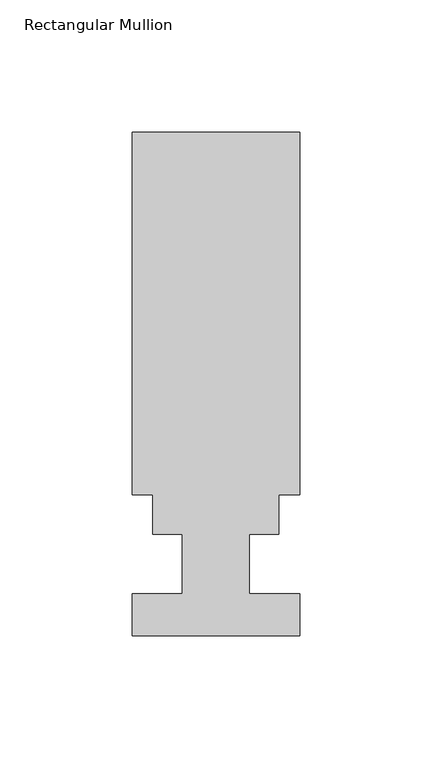
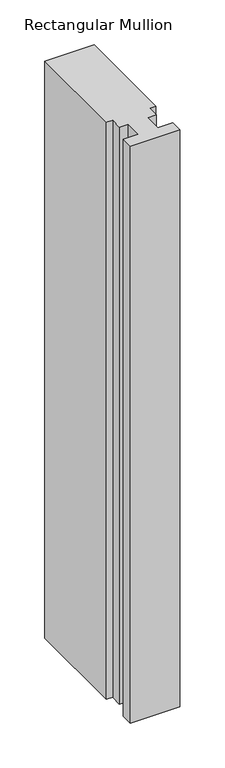
"""IFC4 building model written with IfcOpenShell, lengths in millimetres: member geometry, Rectangular Mullion."""

from ifc_helpers import new_model, si_unit, frame, origin, place, context, project, spatial, polyline, outline, extrude, source, transform, mapped, element, save


def rectangular_mullion_5b0f9c4a(model_context):
    return source(origin(), model_context, "Body", "SweptSolid", [
        extrude(outline(polyline([(-31.75, 15.1614187), (-31.75, 152.4992188), (31.75, 152.4992188), (31.75, 15.1614188), (23.8252, 15.1614188), (23.8252, 0.0992188), (12.7, 0.0992188), (12.7, -22.3797812), (31.75, -22.3797812), (31.75, -38.2547812), (-31.75, -38.2547812), (-31.75, -22.3543812), (-12.7, -22.3543812), (-12.7, 0.0992188), (-23.8252, 0.0992187), (-23.8252, 15.1614187), (-31.75, 15.1614187)])), frame((0.0, 0.0, -785.1272189), z_axis=(0.0, 0.0, 1.0), x_axis=(1.0, 0.0, 0.0)), (0.0, 0.0, 1.0), 785.1272189),
    ])


if __name__ == "__main__":
    model = new_model("IFC4")
    model_context = context("Model", 3, world=origin())
    ifc_project = project(units=[si_unit("LENGTHUNIT", "METRE", prefix="MILLI")], contexts=[model_context])
    site = spatial("IfcSite", under=ifc_project)
    building = spatial("IfcBuilding", under=site)
    placement = place(None, origin())
    rectangular_mullion_shape = rectangular_mullion_5b0f9c4a(model_context)
    element("IfcMember", 1, ObjectType="Rectangular Mullion", at=placement, inside=building, context=model_context, shape_type="MappedRepresentation", body=[
        mapped(rectangular_mullion_shape, transform((0.0, 0.0, 0.0), x_axis=(1.0, 0.0, 0.0), y_axis=(0.0, 1.0, 0.0), z_axis=(0.0, 0.0, 1.0))),
    ])
    save(model, "model.ifc")
